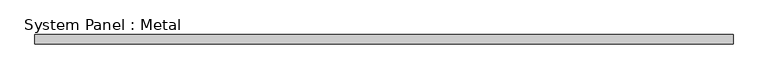
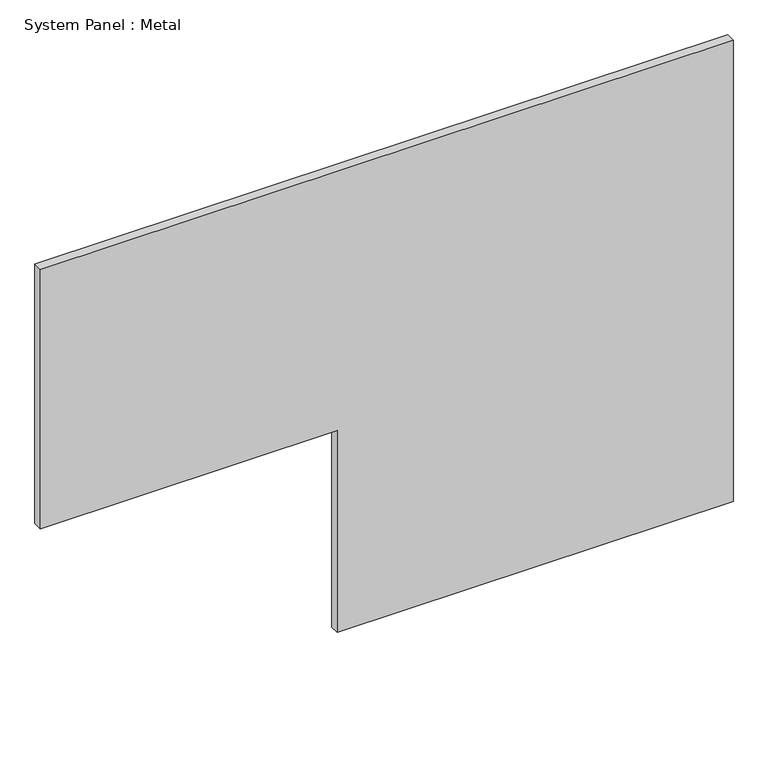
"""IFC4 building model written with IfcOpenShell, lengths in millimetres: plate geometry, System Panel : Metal."""

from ifc_helpers import new_model, si_unit, frame, origin, place, context, project, spatial, polyline, outline, extrude, source, transform, mapped, element, save


def system_panel_metal_8ffeb699(model_context):
    return source(origin(), model_context, "Body", "SweptSolid", [
        extrude(outline(polyline([(0.0, -85.974272), (0.0, 600.0), (845.0, 600.0), (845.0, -600.0), (370.0, -600.0), (370.0, -85.974272), (0.0, -85.974272)])), frame((0.0, -85.0, 0.0), z_axis=(0.0, 1.0, 0.0), x_axis=(0.0, 0.0, 1.0)), (0.0, 0.0, 1.0), 16.0),
    ])


if __name__ == "__main__":
    model = new_model("IFC4")
    model_context = context("Model", 3, world=origin())
    ifc_project = project(units=[si_unit("LENGTHUNIT", "METRE", prefix="MILLI")], contexts=[model_context])
    site = spatial("IfcSite", under=ifc_project)
    building = spatial("IfcBuilding", under=site)
    placement = place(None, origin())
    system_panel_metal_shape = system_panel_metal_8ffeb699(model_context)
    element("IfcPlate", 1, ObjectType="System Panel : Metal", at=placement, inside=building, context=model_context, shape_type="MappedRepresentation", body=[
        mapped(system_panel_metal_shape, transform((0.0, 0.0, 0.0), x_axis=(1.0, 0.0, 0.0), y_axis=(0.0, 1.0, 0.0), z_axis=(0.0, 0.0, 1.0))),
    ])
    save(model, "model.ifc")
